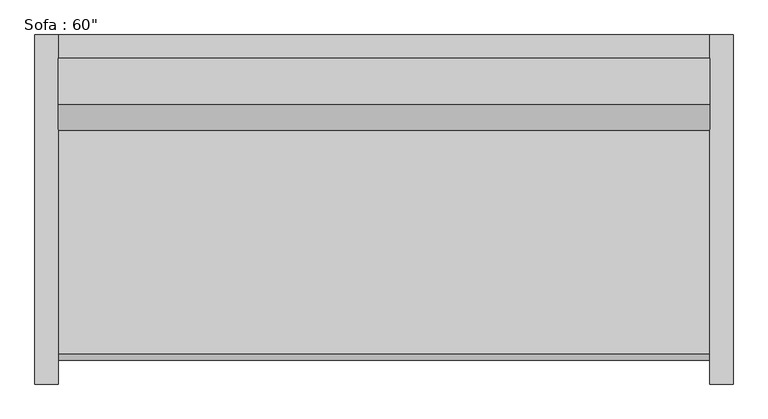
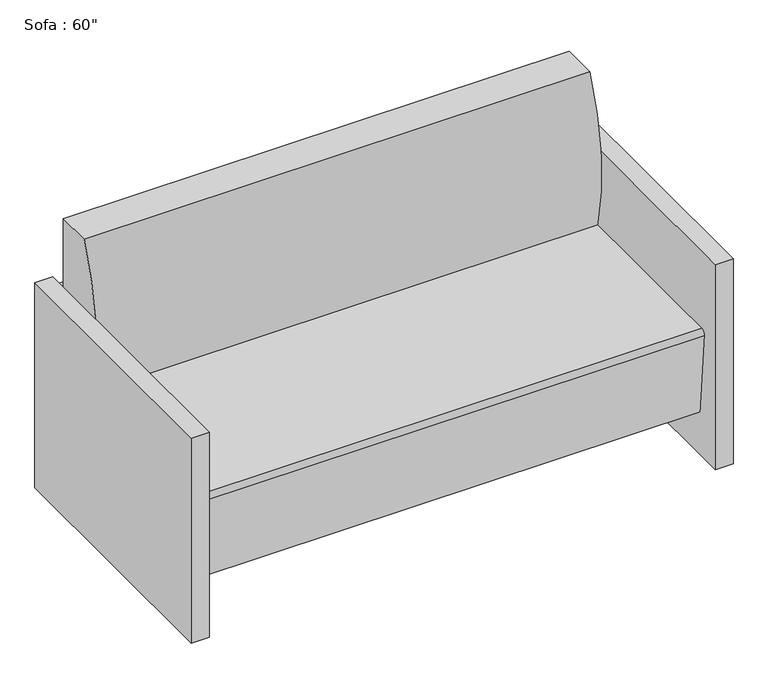
"""IFC4 building model written with IfcOpenShell, lengths in millimetres: furniture geometry."""

from ifc_helpers import new_model, si_unit, point, frame, frame_2d, origin, origin_with_axes, place, context, project, spatial, polyline, circle_curve, trimmed, segment, composite_curve, outline, extrude, source, transform, mapped, element, save


def furniture_93e39180(model_context):
    return source(origin(), model_context, "Body", "SweptSolid", [
        extrude(outline(polyline([(-640.8295082, 425.5540984), (-640.8295082, 476.3540984), (781.5704918, 476.3540984), (781.5704918, 425.5540984), (-640.8295082, 425.5540984)])), frame((0.0, 0.0, 457.2), z_axis=(0.0, 0.0, 1.0), x_axis=(1.0, 0.0, 0.0)), (0.0, 0.0, 1.0), 127.0),
        extrude(outline(polyline([(-640.8295082, 425.5540984), (-640.8295082, 476.3540984), (781.5704918, 476.3540984), (781.5704918, 425.5540984), (-640.8295082, 425.5540984)])), frame((0.0, 0.0, 266.7), z_axis=(0.0, 0.0, 1.0), x_axis=(1.0, 0.0, 0.0)), (0.0, 0.0, 1.0), 127.0),
        extrude(outline(polyline([(-640.8295082, 425.5540984), (-640.8295082, 476.3540984), (781.5704918, 476.3540984), (781.5704918, 425.5540984), (-640.8295082, 425.5540984)])), frame((0.0, 0.0, 76.2), z_axis=(0.0, 0.0, 1.0), x_axis=(1.0, 0.0, 0.0)), (0.0, 0.0, 1.0), 127.0),
        extrude(outline(composite_curve([segment(trimmed(circle_curve(frame_2d((926.517198, 542.5300036)), 660.4), [point((286.1764935, 381.0))], [point((323.9540984, 812.8))], False, "CARTESIAN"), True, "CONTINUOUS"), segment(polyline([(323.9540984, 812.8), (425.5540984, 812.8), (425.5540984, 127.9665467), (-212.708343, 127.9665467), (-233.6379563, 367.1931221)]), True, "CONTINUOUS"), segment(trimmed(circle_curve(frame_2d((-220.9862837, 368.3)), 12.7), [point((-233.6379563, 367.1931221))], [point((-220.9862837, 381.0))], False, "CARTESIAN"), True, "CONTINUOUS"), segment(polyline([(-220.9862837, 381.0), (286.1764935, 381.0)]), True, "CONTINUOUS")], self_intersect=False)), frame((-640.8295082, 0.0, 0.0), z_axis=(1.0, 0.0, 0.0), x_axis=(0.0, 1.0, 0.0)), (0.0, 0.0, 1.0), 1422.4),
        extrude(outline(polyline([(-691.6295082, 476.3540984), (-640.8295082, 476.3540984), (-640.8295082, -285.6459016), (-691.6295082, -285.6459016), (-691.6295082, 476.3540984)])), origin_with_axes(), (0.0, 0.0, 1.0), 609.6),
        extrude(outline(polyline([(832.3704918, 476.3540984), (832.3704918, -285.6459016), (781.5704918, -285.6459016), (781.5704918, 476.3540984), (832.3704918, 476.3540984)])), origin_with_axes(), (0.0, 0.0, 1.0), 609.6),
    ])


if __name__ == "__main__":
    model = new_model("IFC4")
    model_context = context("Model", 3, world=origin())
    ifc_project = project(units=[si_unit("LENGTHUNIT", "METRE", prefix="MILLI")], contexts=[model_context])
    site = spatial("IfcSite", under=ifc_project)
    building = spatial("IfcBuilding", under=site)
    placement = place(None, origin())
    furniture_shape = furniture_93e39180(model_context)
    element("IfcFurniture", 1, ObjectType="Sofa : 60\"", at=placement, inside=building, context=model_context, shape_type="MappedRepresentation", body=[
        mapped(furniture_shape, transform((0.0, 0.0, 0.0), x_axis=(1.0, 0.0, 0.0), y_axis=(0.0, 1.0, 0.0), z_axis=(0.0, 0.0, 1.0))),
    ])
    save(model, "model.ifc")
